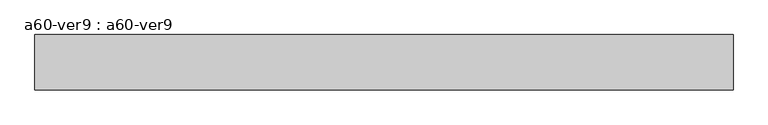
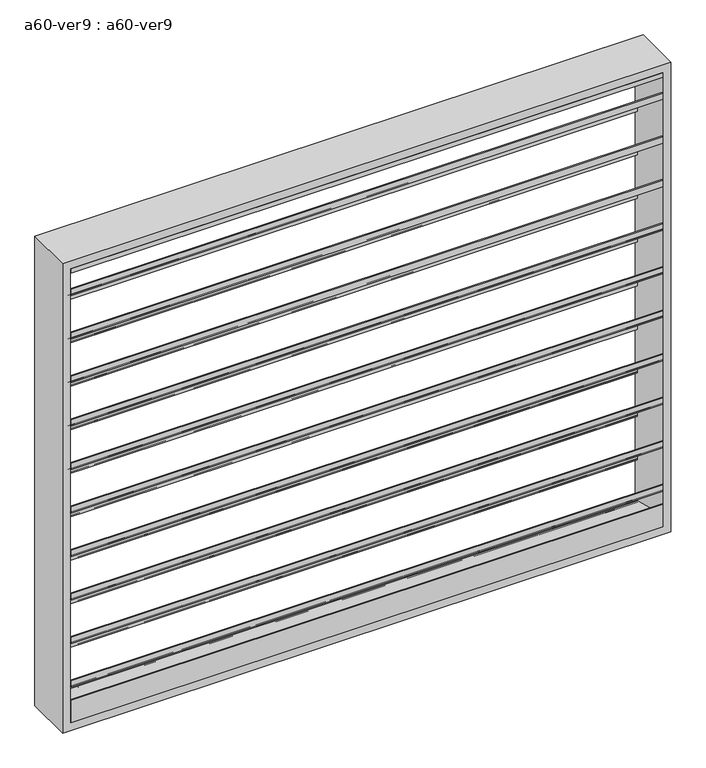
"""IFC4 building model written with IfcOpenShell, lengths in millimetres: proxy geometry, a60-ver9 : a60-ver9."""

import ifcopenshell
import ifcopenshell.guid

model = None  # the IFC model being written
_history = None  # IfcOwnerHistory: only IFC2X3 demands one
_inside = {}  # id of a spatial element -> (the spatial element, [elements in it])
_under = {}  # id of a project, library or spatial element -> (it, [spatial elements below it])
_declared = {}  # id of a project -> (the project, [libraries it declares])
_typed = {}  # id of a type object -> (the type object, [elements of that type])
_made_of = {}  # id of a material, layer set ... -> (it, [elements and type objects made of it])


def new_model(schema):
    """Start an empty IFC model of exactly this schema.

    Asked for "IFC4X3", IfcOpenShell would pick the latest addendum, in which some entities
    have other attributes; the version numbers below select the first issue.
    IFC2X3 requires an IfcOwnerHistory on every rooted entity: one is made here for all.
    """
    global model, _history
    if schema == "IFC4X3":
        model = ifcopenshell.file(schema_version=(4, 3, 0, 0))
    else:
        model = ifcopenshell.file(schema=schema)
    _inside.clear()
    _under.clear()
    _declared.clear()
    _typed.clear()
    _made_of.clear()
    _history = None
    if model.schema == "IFC2X3":
        org = make("IfcOrganization", Name="unknown")
        user = make(
            "IfcPersonAndOrganization",
            ThePerson=make("IfcPerson", FamilyName="unknown"),
            TheOrganization=org,
        )
        app = make(
            "IfcApplication",
            ApplicationDeveloper=org,
            Version="unknown",
            ApplicationFullName="unknown",
            ApplicationIdentifier="unknown",
        )
        _history = make(
            "IfcOwnerHistory",
            OwningUser=user,
            OwningApplication=app,
            ChangeAction="ADDED",
            CreationDate=0,
        )
    return model


def make(cls, **values):
    """One entity of the class cls with the attributes given. An attribute that is None is left unset."""
    return model.create_entity(
        cls, **{name: value for name, value in values.items() if value is not None}
    )


def rooted(cls, **values):
    """An entity with a GlobalId (a new one), such as an element, a storey or a relation."""
    return make(cls, GlobalId=ifcopenshell.guid.new(), OwnerHistory=_history, **values)


def si_unit(unit_type, name, prefix=None):
    """IfcSIUnit, for example si_unit("LENGTHUNIT", "METRE", prefix="MILLI")."""
    return make("IfcSIUnit", UnitType=unit_type, Prefix=prefix, Name=name)


def assignment(units):
    """IfcUnitAssignment: the units of a project."""
    return None if units is None else make("IfcUnitAssignment", Units=units)


def point(xyz):
    """IfcCartesianPoint."""
    return None if xyz is None else make("IfcCartesianPoint", Coordinates=xyz)


def direction(xyz):
    """IfcDirection."""
    return None if xyz is None else make("IfcDirection", DirectionRatios=xyz)


def frame(location, z_axis=None, x_axis=None):
    """IfcAxis2Placement3D, a coordinate frame: its origin and axes. An axis left out is left unset."""
    return make(
        "IfcAxis2Placement3D",
        Location=point(location),
        Axis=direction(z_axis),
        RefDirection=direction(x_axis),
    )


def origin():
    """The frame at (0, 0, 0) with its axes left unset."""
    return frame((0.0, 0.0, 0.0))


def place(relative_to, where):
    """IfcLocalPlacement: puts the frame where relative to a parent placement (None: the world)."""
    return make(
        "IfcLocalPlacement", PlacementRelTo=relative_to, RelativePlacement=where
    )


def context(
    kind, dimensions, precision=None, world=None, true_north=None, identifier=None
):
    """IfcGeometricRepresentationContext, for example the 3D "Model" context."""
    return make(
        "IfcGeometricRepresentationContext",
        ContextIdentifier=identifier,
        ContextType=kind,
        CoordinateSpaceDimension=dimensions,
        Precision=precision,
        WorldCoordinateSystem=world,
        TrueNorth=true_north,
    )


def project(units=None, contexts=None):
    """IfcProject with its units and contexts."""
    return rooted(
        "IfcProject",
        Name="project",
        RepresentationContexts=contexts,
        UnitsInContext=assignment(units),
    )


def spatial(cls, under=None, at=None, **own):
    """A site, building, storey or space (cls), placed at a placement, below another one or the project."""
    s = rooted(cls, ObjectPlacement=at, **own)
    if under is not None:
        _under.setdefault(under.id(), (under, []))[1].append(s)
    return s


def polyline(points):
    """IfcPolyline through the points."""
    return make("IfcPolyline", Points=[point(p) for p in points])


def outline(outer, holes=None, kind="AREA"):
    """IfcArbitraryClosedProfileDef: a profile drawn as a closed curve; with holes, ...WithVoids."""
    if holes is None:
        return make("IfcArbitraryClosedProfileDef", ProfileType=kind, OuterCurve=outer)
    return make(
        "IfcArbitraryProfileDefWithVoids",
        ProfileType=kind,
        OuterCurve=outer,
        InnerCurves=holes,
    )


def extrude(swept, where, along, depth):
    """IfcExtrudedAreaSolid: the profile swept, set in the frame where, extruded along a direction by depth."""
    return make(
        "IfcExtrudedAreaSolid",
        SweptArea=swept,
        Position=where,
        ExtrudedDirection=direction(along),
        Depth=depth,
    )


def shape(context_of_items, identifier, shape_type, items):
    """IfcShapeRepresentation: the items that make up one representation, for example the "Body"."""
    return make(
        "IfcShapeRepresentation",
        ContextOfItems=context_of_items,
        RepresentationIdentifier=identifier,
        RepresentationType=shape_type,
        Items=items,
    )


def source(mapping_origin, context_of_items, identifier, shape_type, items):
    """IfcRepresentationMap: a shape defined once, which mapped items show again and again."""
    return make(
        "IfcRepresentationMap",
        MappingOrigin=mapping_origin,
        MappedRepresentation=shape(context_of_items, identifier, shape_type, items),
    )


def transform(
    local_origin,
    x_axis=None,
    y_axis=None,
    z_axis=None,
    scale=None,
    scale2=None,
    scale3=None,
    uniform=True,
):
    """IfcCartesianTransformationOperator3D, or its non-uniform kind. x_axis, y_axis, z_axis: its Axis1, 2, 3."""
    if uniform:
        return make(
            "IfcCartesianTransformationOperator3D",
            Axis1=direction(x_axis),
            Axis2=direction(y_axis),
            LocalOrigin=point(local_origin),
            Scale=scale,
            Axis3=direction(z_axis),
        )
    return make(
        "IfcCartesianTransformationOperator3DnonUniform",
        Axis1=direction(x_axis),
        Axis2=direction(y_axis),
        LocalOrigin=point(local_origin),
        Scale=scale,
        Axis3=direction(z_axis),
        Scale2=scale2,
        Scale3=scale3,
    )


def mapped(mapping_source, mapping_target):
    """IfcMappedItem: shows the shape of a source again, moved by a transform."""
    return make(
        "IfcMappedItem", MappingSource=mapping_source, MappingTarget=mapping_target
    )


def made_of(thing, what):
    """Note that an element or type object is made of a material, layer set ...; save() writes the relation."""
    if what is not None:
        _made_of.setdefault(what.id(), (what, []))[1].append(thing)
    return thing


def element(
    cls,
    number,
    at=None,
    inside=None,
    cuts=None,
    type_object=None,
    material=None,
    context=None,
    identifier="Body",
    shape_type=None,
    held_by="IfcProductDefinitionShape",
    body=None,
    shapes=None,
    **own,
):
    """One element of the class cls, such as IfcWall. Its Tag is "e" and its number.

    at: its placement. inside: the storey or other place that contains it. cuts: it is an
    opening in that element (IfcRelVoidsElement). A single representation is given by context,
    identifier, shape_type and body (its items); several are given by shapes. held_by: the class
    of the entity that holds the representations. save() writes the other relations.
    """
    e = rooted(cls, Tag="e%d" % number, ObjectPlacement=at, **own)
    if body is not None:
        shapes = [shape(context, identifier, shape_type, body)]
    if shapes is not None:
        e.Representation = make(held_by, Representations=shapes)
    if inside is not None:
        _inside.setdefault(inside.id(), (inside, []))[1].append(e)
    if cuts is not None:
        rooted(
            "IfcRelVoidsElement", RelatingBuildingElement=cuts, RelatedOpeningElement=e
        )
    if type_object is not None:
        _typed.setdefault(type_object.id(), (type_object, []))[1].append(e)
    return made_of(e, material)


def aggregate(whole, parts):
    """IfcRelAggregates: a whole, such as a stair, and the parts it consists of."""
    return rooted("IfcRelAggregates", RelatingObject=whole, RelatedObjects=parts)


def save(model, path):
    """Write the relations noted so far, then the file.

    IfcRelAggregates (storeys below a building ...), IfcRelContainedInSpatialStructure (elements
    in a storey), IfcRelDefinesByType, IfcRelAssociatesMaterial and IfcRelDeclares: one each for
    every whole, place, type object, material and project.
    """
    for whole, parts in _under.values():
        aggregate(whole, parts)
    for where, things in _inside.values():
        rooted(
            "IfcRelContainedInSpatialStructure",
            RelatedElements=things,
            RelatingStructure=where,
        )
    for kind, things in _typed.values():
        rooted("IfcRelDefinesByType", RelatedObjects=things, RelatingType=kind)
    for what, things in _made_of.values():
        rooted("IfcRelAssociatesMaterial", RelatedObjects=things, RelatingMaterial=what)
    for by, libraries in _declared.values():
        rooted("IfcRelDeclares", RelatingContext=by, RelatedDefinitions=libraries)
    model.write(path)


def a60_ver9_a60_ver9_939cdad4(model_context):
    return source(origin(), model_context, "Body", "SweptSolid", [
        extrude(outline(polyline([(-73.025, 141.2657367), (-73.025, 121.09979), (65.3071116, 14.9538275), (65.3071116, -2.8845524), (73.025, -8.8066965), (73.025, 15.9079125), (76.2, 15.9079125), (76.2, -12.7), (72.883344, -12.7), (62.1321116, -4.4502892), (62.1321116, 13.3880908), (-76.2, 119.5340533), (-76.2, 141.2657367), (-73.025, 141.2657367)])), frame((-939.8, 0.0, 0.0), z_axis=(1.0, 0.0, 0.0), x_axis=(0.0, 1.0, 0.0)), (0.0, 0.0, 1.0), 1879.6),
        extrude(outline(polyline([(-73.025, 287.3157367), (-73.025, 267.14979), (65.3071116, 161.0038275), (65.3071116, 143.1654476), (73.025, 137.2433035), (73.025, 161.9579125), (76.2, 161.9579125), (76.2, 133.35), (72.883344, 133.35), (62.1321116, 141.5997108), (62.1321116, 159.4380908), (-76.2, 265.5840533), (-76.2, 287.3157367), (-73.025, 287.3157367)])), frame((-939.8, 0.0, 0.0), z_axis=(1.0, 0.0, 0.0), x_axis=(0.0, 1.0, 0.0)), (0.0, 0.0, 1.0), 1879.6),
        extrude(outline(polyline([(-73.025, 433.3657367), (-73.025, 413.19979), (65.3071116, 307.0538275), (65.3071116, 289.2154476), (73.025, 283.2933035), (73.025, 308.0079125), (76.2, 308.0079125), (76.2, 279.4), (72.883344, 279.4), (62.1321116, 287.6497108), (62.1321116, 305.4880908), (-76.2, 411.6340533), (-76.2, 433.3657367), (-73.025, 433.3657367)])), frame((-939.8, 0.0, 0.0), z_axis=(1.0, 0.0, 0.0), x_axis=(0.0, 1.0, 0.0)), (0.0, 0.0, 1.0), 1879.6),
        extrude(outline(polyline([(-73.025, 579.4157367), (-73.025, 559.24979), (65.3071116, 453.1038275), (65.3071116, 435.2654476), (73.025, 429.3433035), (73.025, 454.0579125), (76.2, 454.0579125), (76.2, 425.45), (72.883344, 425.45), (62.1321116, 433.6997108), (62.1321116, 451.5380908), (-76.2, 557.6840533), (-76.2, 579.4157367), (-73.025, 579.4157367)])), frame((-939.8, 0.0, 0.0), z_axis=(1.0, 0.0, 0.0), x_axis=(0.0, 1.0, 0.0)), (0.0, 0.0, 1.0), 1879.6),
        extrude(outline(polyline([(-73.025, 725.4657367), (-73.025, 705.29979), (65.3071116, 599.1538275), (65.3071116, 581.3154476), (73.025, 575.3933035), (73.025, 600.1079125), (76.2, 600.1079125), (76.2, 571.5), (72.883344, 571.5), (62.1321116, 579.7497108), (62.1321116, 597.5880908), (-76.2, 703.7340533), (-76.2, 725.4657367), (-73.025, 725.4657367)])), frame((-939.8, 0.0, 0.0), z_axis=(1.0, 0.0, 0.0), x_axis=(0.0, 1.0, 0.0)), (0.0, 0.0, 1.0), 1879.6),
        extrude(outline(polyline([(-73.025, 871.5157367), (-73.025, 851.34979), (65.3071116, 745.2038275), (65.3071116, 727.3654476), (73.025, 721.4433035), (73.025, 746.1579125), (76.2, 746.1579125), (76.2, 717.55), (72.883344, 717.55), (62.1321116, 725.7997108), (62.1321116, 743.6380908), (-76.2, 849.7840533), (-76.2, 871.5157367), (-73.025, 871.5157367)])), frame((-939.8, 0.0, 0.0), z_axis=(1.0, 0.0, 0.0), x_axis=(0.0, 1.0, 0.0)), (0.0, 0.0, 1.0), 1879.6),
        extrude(outline(polyline([(-73.025, 1017.5657367), (-73.025, 997.39979), (65.3071116, 891.2538275), (65.3071116, 873.4154476), (73.025, 867.4933035), (73.025, 892.2079125), (76.2, 892.2079125), (76.2, 863.6), (72.883344, 863.6), (62.1321116, 871.8497108), (62.1321116, 889.6880908), (-76.2, 995.8340533), (-76.2, 1017.5657367), (-73.025, 1017.5657367)])), frame((-939.8, 0.0, 0.0), z_axis=(1.0, 0.0, 0.0), x_axis=(0.0, 1.0, 0.0)), (0.0, 0.0, 1.0), 1879.6),
        extrude(outline(polyline([(-73.025, 1163.6157367), (-73.025, 1143.44979), (65.3071116, 1037.3038275), (65.3071116, 1019.4654476), (73.025, 1013.5433035), (73.025, 1038.2579125), (76.2, 1038.2579125), (76.2, 1009.65), (72.883344, 1009.65), (62.1321116, 1017.8997108), (62.1321116, 1035.7380908), (-76.2, 1141.8840533), (-76.2, 1163.6157367), (-73.025, 1163.6157367)])), frame((-939.8, 0.0, 0.0), z_axis=(1.0, 0.0, 0.0), x_axis=(0.0, 1.0, 0.0)), (0.0, 0.0, 1.0), 1879.6),
        extrude(outline(polyline([(-73.025, 1309.6657367), (-73.025, 1289.49979), (65.3071116, 1183.3538275), (65.3071116, 1165.5154476), (73.025, 1159.5933035), (73.025, 1184.3079125), (76.2, 1184.3079125), (76.2, 1155.7), (72.883344, 1155.7), (62.1321116, 1163.9497108), (62.1321116, 1181.7880908), (-76.2, 1287.9340533), (-76.2, 1309.6657367), (-73.025, 1309.6657367)])), frame((-939.8, 0.0, 0.0), z_axis=(1.0, 0.0, 0.0), x_axis=(0.0, 1.0, 0.0)), (0.0, 0.0, 1.0), 1879.6),
        extrude(outline(polyline([(-73.025, 1455.7157367), (-73.025, 1435.54979), (65.3071116, 1329.4038275), (65.3071116, 1311.5654476), (73.025, 1305.6433035), (73.025, 1330.3579125), (76.2, 1330.3579125), (76.2, 1301.75), (72.883344, 1301.75), (62.1321116, 1309.9997108), (62.1321116, 1327.8380908), (-76.2, 1433.9840533), (-76.2, 1455.7157367), (-73.025, 1455.7157367)])), frame((-939.8, 0.0, 0.0), z_axis=(1.0, 0.0, 0.0), x_axis=(0.0, 1.0, 0.0)), (0.0, 0.0, 1.0), 1879.6),
        extrude(outline(polyline([(0.0, 1508.125), (76.2, 1447.8), (71.0848317, 1447.8), (-5.1151683, 1508.125), (-76.2, 1508.125), (-76.2, 1524.0), (76.2, 1524.0), (0.0, 1508.125)])), frame((-939.8, 0.0, 0.0), z_axis=(1.0, 0.0, 0.0), x_axis=(0.0, 1.0, 0.0)), (0.0, 0.0, 1.0), 1879.6),
        extrude(outline(polyline([(76.2, 0.0), (-76.2, 0.0), (-76.2, 76.2), (-73.025, 76.2), (-73.025, 38.1), (76.2, 0.0)])), frame((-939.8, 0.0, 0.0), z_axis=(1.0, 0.0, 0.0), x_axis=(0.0, 1.0, 0.0)), (0.0, 0.0, 1.0), 1879.6),
        extrude(outline(polyline([(-25.4, -965.2), (-25.4, 965.2), (1549.4, 965.2), (1549.4, -965.2), (-25.4, -965.2)]), holes=[polyline([(0.0, -939.8), (1524.0, -939.8), (1524.0, 939.8), (0.0, 939.8), (0.0, -939.8)])]), frame((0.0, -76.2, 0.0), z_axis=(0.0, 1.0, 0.0), x_axis=(0.0, 0.0, 1.0)), (0.0, 0.0, 1.0), 152.4),
    ])


if __name__ == "__main__":
    model = new_model("IFC4")
    model_context = context("Model", 3, world=origin())
    ifc_project = project(units=[si_unit("LENGTHUNIT", "METRE", prefix="MILLI")], contexts=[model_context])
    site = spatial("IfcSite", under=ifc_project)
    building = spatial("IfcBuilding", under=site)
    placement = place(None, origin())
    a60_ver9_a60_ver9_shape = a60_ver9_a60_ver9_939cdad4(model_context)
    element("IfcBuildingElementProxy", 1, Name="a60-ver9 : a60-ver9", ObjectType="a60-ver9 : a60-ver9", at=placement, inside=building, context=model_context, shape_type="MappedRepresentation", body=[
        mapped(a60_ver9_a60_ver9_shape, transform((0.0, 0.0, 0.0), x_axis=(1.0, 0.0, 0.0), y_axis=(0.0, 1.0, 0.0), z_axis=(0.0, 0.0, 1.0))),
    ])
    save(model, "model.ifc")
